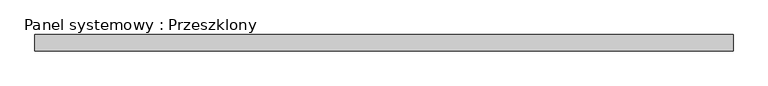
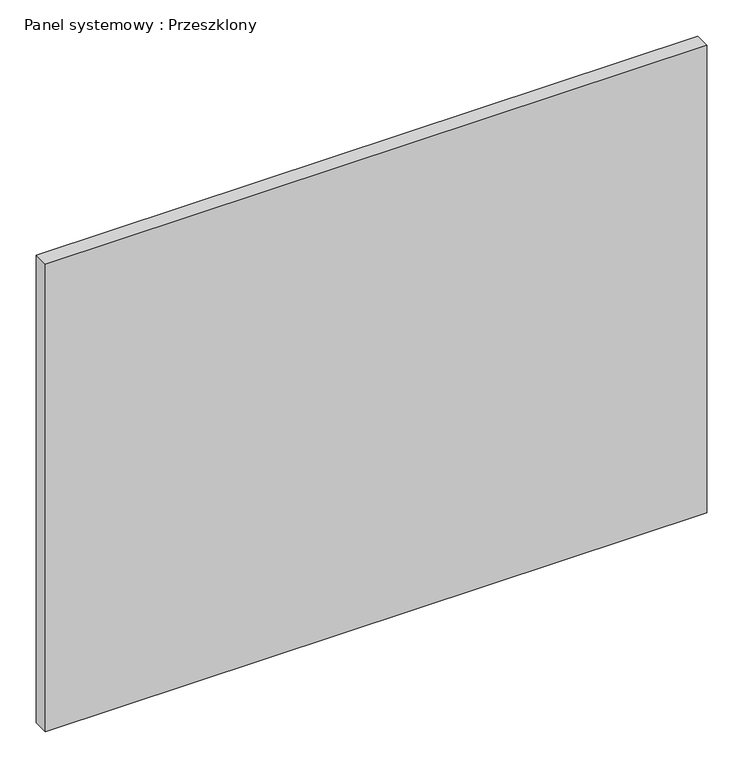
"""IFC4 building model written with IfcOpenShell, lengths in millimetres: plate geometry, Panel systemowy : Przeszklony."""

from ifc_helpers import new_model, si_unit, origin, origin_with_axes, place, context, project, spatial, polyline, outline, extrude, source, transform, mapped, element, save


def panel_systemowy_przeszklony_83c9f7cd(model_context):
    return source(origin(), model_context, "Body", "SweptSolid", [
        extrude(outline(polyline([(527.5, -12.5), (-527.5, -12.5), (-527.5, 12.5), (527.5, 12.5), (527.5, -12.5)])), origin_with_axes(), (0.0, 0.0, 1.0), 788.3333333),
    ])


if __name__ == "__main__":
    model = new_model("IFC4")
    model_context = context("Model", 3, world=origin())
    ifc_project = project(units=[si_unit("LENGTHUNIT", "METRE", prefix="MILLI")], contexts=[model_context])
    site = spatial("IfcSite", under=ifc_project)
    building = spatial("IfcBuilding", under=site)
    placement = place(None, origin())
    panel_systemowy_przeszklony_shape = panel_systemowy_przeszklony_83c9f7cd(model_context)
    element("IfcPlate", 1, ObjectType="Panel systemowy : Przeszklony", at=placement, inside=building, context=model_context, shape_type="MappedRepresentation", body=[
        mapped(panel_systemowy_przeszklony_shape, transform((0.0, 0.0, 0.0), x_axis=(1.0, 0.0, 0.0), y_axis=(0.0, 1.0, 0.0), z_axis=(0.0, 0.0, 1.0))),
    ])
    save(model, "model.ifc")
